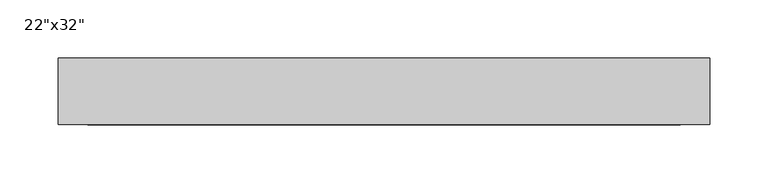
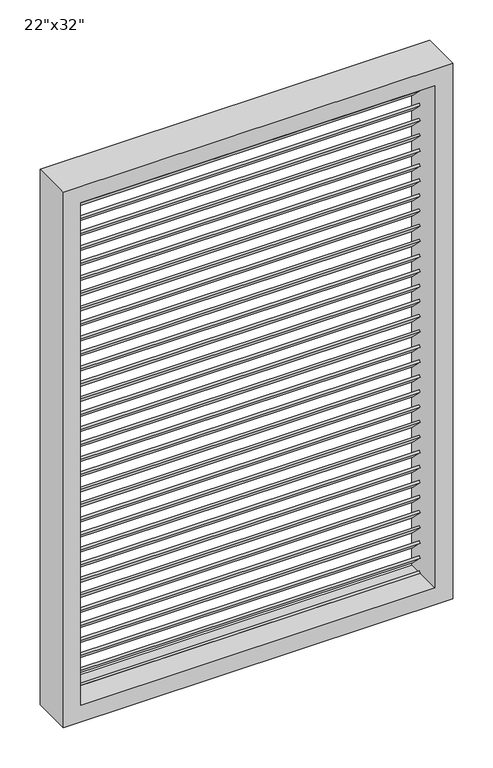
"""IFC4 building model written with IfcOpenShell, lengths in millimetres: proxy geometry."""

from ifc_helpers import new_model, si_unit, frame, origin, place, context, project, spatial, polyline, outline, extrude, source, transform, mapped, element, save


def proxy_5d6a0c1c(model_context):
    return source(origin(), model_context, "Body", "SweptSolid", [
        extrude(outline(polyline([(0.0, 25.4), (508.0, 25.4), (508.0, 0.0), (0.0, 0.0), (0.0, 25.4)])), frame((-254.0, 43.2944237, 1580.2414644), z_axis=(0.0, 0.7071067811865469, 0.7071067811865482), x_axis=(1.0, 0.0, 0.0)), (0.0, 0.0, 1.0), 3.175),
        extrude(outline(polyline([(0.0, 25.4000001), (508.0, 25.4000001), (508.0, 0.0), (0.0, 0.0), (0.0, 25.4000001)])), frame((-254.0, 43.2944237, 1557.3674807), z_axis=(0.0, 0.7071067811865469, 0.7071067811865482), x_axis=(1.0, 0.0, 0.0)), (0.0, 0.0, 1.0), 3.175),
        extrude(outline(polyline([(0.0, 25.4), (508.0, 25.4), (508.0, 0.0), (0.0, 0.0), (0.0, 25.4)])), frame((-254.0, 43.2944237, 1534.4934969), z_axis=(0.0, 0.7071067811865469, 0.7071067811865482), x_axis=(1.0, 0.0, 0.0)), (0.0, 0.0, 1.0), 3.175),
        extrude(outline(polyline([(0.0, 25.4), (508.0, 25.4), (508.0, 0.0), (0.0, 0.0), (0.0, 25.4)])), frame((-254.0, 43.2944237, 1511.6195131), z_axis=(0.0, 0.7071067811865469, 0.7071067811865482), x_axis=(1.0, 0.0, 0.0)), (0.0, 0.0, 1.0), 3.175),
        extrude(outline(polyline([(0.0, 25.4000001), (508.0, 25.4000001), (508.0, 0.0), (0.0, 0.0), (0.0, 25.4000001)])), frame((-254.0, 43.2944237, 1488.7455294), z_axis=(0.0, 0.7071067811865469, 0.7071067811865482), x_axis=(1.0, 0.0, 0.0)), (0.0, 0.0, 1.0), 3.175),
        extrude(outline(polyline([(0.0, 25.4000001), (508.0, 25.4000001), (508.0, 0.0), (0.0, 0.0), (0.0, 25.4000001)])), frame((-254.0, 43.2944237, 1465.8715456), z_axis=(0.0, 0.7071067811865469, 0.7071067811865482), x_axis=(1.0, 0.0, 0.0)), (0.0, 0.0, 1.0), 3.175),
        extrude(outline(polyline([(0.0, 25.4), (508.0, 25.4), (508.0, 0.0), (0.0, 0.0), (0.0, 25.4)])), frame((-254.0, 43.2944237, 1442.9975618), z_axis=(0.0, 0.7071067811865469, 0.7071067811865482), x_axis=(1.0, 0.0, 0.0)), (0.0, 0.0, 1.0), 3.175),
        extrude(outline(polyline([(0.0, 25.4), (508.0, 25.4), (508.0, 0.0), (0.0, 0.0), (0.0, 25.4)])), frame((-254.0, 43.2944237, 1420.123578), z_axis=(0.0, 0.7071067811865469, 0.7071067811865482), x_axis=(1.0, 0.0, 0.0)), (0.0, 0.0, 1.0), 3.175),
        extrude(outline(polyline([(0.0, 25.4000001), (508.0, 25.4000001), (508.0, 0.0), (0.0, 0.0), (0.0, 25.4000001)])), frame((-254.0, 43.2944237, 1397.2495943), z_axis=(0.0, 0.7071067811865469, 0.7071067811865482), x_axis=(1.0, 0.0, 0.0)), (0.0, 0.0, 1.0), 3.175),
        extrude(outline(polyline([(0.0, 25.4), (508.0, 25.4), (508.0, 0.0), (0.0, 0.0), (0.0, 25.4)])), frame((-254.0, 43.2944237, 1374.3756105), z_axis=(0.0, 0.7071067811865469, 0.7071067811865482), x_axis=(1.0, 0.0, 0.0)), (0.0, 0.0, 1.0), 3.175),
        extrude(outline(polyline([(0.0, 25.4), (508.0, 25.4), (508.0, 0.0), (0.0, 0.0), (0.0, 25.4)])), frame((-254.0, 43.2944237, 1351.5016267), z_axis=(0.0, 0.7071067811865469, 0.7071067811865482), x_axis=(1.0, 0.0, 0.0)), (0.0, 0.0, 1.0), 3.175),
        extrude(outline(polyline([(0.0, 25.4000001), (508.0, 25.4000001), (508.0, 0.0), (0.0, 0.0), (0.0, 25.4000001)])), frame((-254.0, 43.2944237, 1328.627643), z_axis=(0.0, 0.7071067811865469, 0.7071067811865482), x_axis=(1.0, 0.0, 0.0)), (0.0, 0.0, 1.0), 3.175),
        extrude(outline(polyline([(0.0, 25.4000001), (508.0, 25.4000001), (508.0, 0.0), (0.0, 0.0), (0.0, 25.4000001)])), frame((-254.0, 43.2944237, 1305.7536592), z_axis=(0.0, 0.7071067811865469, 0.7071067811865482), x_axis=(1.0, 0.0, 0.0)), (0.0, 0.0, 1.0), 3.175),
        extrude(outline(polyline([(0.0, 25.4), (508.0, 25.4), (508.0, 0.0), (0.0, 0.0), (0.0, 25.4)])), frame((-254.0, 43.2944237, 1282.8796754), z_axis=(0.0, 0.7071067811865469, 0.7071067811865482), x_axis=(1.0, 0.0, 0.0)), (0.0, 0.0, 1.0), 3.175),
        extrude(outline(polyline([(0.0, 25.4), (508.0, 25.4), (508.0, 0.0), (0.0, 0.0), (0.0, 25.4)])), frame((-254.0, 43.2944237, 1260.0056916), z_axis=(0.0, 0.7071067811865469, 0.7071067811865482), x_axis=(1.0, 0.0, 0.0)), (0.0, 0.0, 1.0), 3.175),
        extrude(outline(polyline([(0.0, 25.4000001), (508.0, 25.4000001), (508.0, 0.0), (0.0, 0.0), (0.0, 25.4000001)])), frame((-254.0, 43.2944237, 1237.1317079), z_axis=(0.0, 0.7071067811865469, 0.7071067811865482), x_axis=(1.0, 0.0, 0.0)), (0.0, 0.0, 1.0), 3.175),
        extrude(outline(polyline([(0.0, 25.4), (508.0, 25.4), (508.0, 0.0), (0.0, 0.0), (0.0, 25.4)])), frame((-254.0, 43.2944237, 1214.2577241), z_axis=(0.0, 0.7071067811865469, 0.7071067811865482), x_axis=(1.0, 0.0, 0.0)), (0.0, 0.0, 1.0), 3.175),
        extrude(outline(polyline([(0.0, 25.4), (508.0, 25.4), (508.0, 0.0), (0.0, 0.0), (0.0, 25.4)])), frame((-254.0, 43.2944237, 1191.3837403), z_axis=(0.0, 0.7071067811865469, 0.7071067811865482), x_axis=(1.0, 0.0, 0.0)), (0.0, 0.0, 1.0), 3.175),
        extrude(outline(polyline([(0.0, 25.4000001), (508.0, 25.4000001), (508.0, 0.0), (0.0, 0.0), (0.0, 25.4000001)])), frame((-254.0, 43.2944237, 1168.5097566), z_axis=(0.0, 0.7071067811865469, 0.7071067811865482), x_axis=(1.0, 0.0, 0.0)), (0.0, 0.0, 1.0), 3.175),
        extrude(outline(polyline([(0.0, 25.4), (508.0, 25.4), (508.0, 0.0), (0.0, 0.0), (0.0, 25.4)])), frame((-254.0, 43.2944237, 1145.6357728), z_axis=(0.0, 0.7071067811865469, 0.7071067811865482), x_axis=(1.0, 0.0, 0.0)), (0.0, 0.0, 1.0), 3.175),
        extrude(outline(polyline([(0.0, 25.4), (508.0, 25.4), (508.0, 0.0), (0.0, 0.0), (0.0, 25.4)])), frame((-254.0, 43.2944237, 1122.761789), z_axis=(0.0, 0.7071067811865469, 0.7071067811865482), x_axis=(1.0, 0.0, 0.0)), (0.0, 0.0, 1.0), 3.175),
        extrude(outline(polyline([(0.0, 25.4000001), (508.0, 25.4000001), (508.0, 0.0), (0.0, 0.0), (0.0, 25.4000001)])), frame((-254.0, 43.2944237, 1099.8878053), z_axis=(0.0, 0.7071067811865469, 0.7071067811865482), x_axis=(1.0, 0.0, 0.0)), (0.0, 0.0, 1.0), 3.175),
        extrude(outline(polyline([(0.0, 25.4000001), (508.0, 25.4000001), (508.0, 0.0), (0.0, 0.0), (0.0, 25.4000001)])), frame((-254.0, 43.2944237, 1077.0138215), z_axis=(0.0, 0.7071067811865469, 0.7071067811865482), x_axis=(1.0, 0.0, 0.0)), (0.0, 0.0, 1.0), 3.175),
        extrude(outline(polyline([(0.0, 25.4), (508.0, 25.4), (508.0, 0.0), (0.0, 0.0), (0.0, 25.4)])), frame((-254.0, 43.2944237, 1054.1398377), z_axis=(0.0, 0.7071067811865469, 0.7071067811865482), x_axis=(1.0, 0.0, 0.0)), (0.0, 0.0, 1.0), 3.175),
        extrude(outline(polyline([(0.0, 25.4), (508.0, 25.4), (508.0, 0.0), (0.0, 0.0), (0.0, 25.4)])), frame((-254.0, 43.2944237, 1031.2658539), z_axis=(0.0, 0.7071067811865469, 0.7071067811865482), x_axis=(1.0, 0.0, 0.0)), (0.0, 0.0, 1.0), 3.175),
        extrude(outline(polyline([(0.0, 25.4000001), (508.0, 25.4000001), (508.0, 0.0), (0.0, 0.0), (0.0, 25.4000001)])), frame((-254.0, 43.2944237, 1008.3918702), z_axis=(0.0, 0.7071067811865469, 0.7071067811865482), x_axis=(1.0, 0.0, 0.0)), (0.0, 0.0, 1.0), 3.175),
        extrude(outline(polyline([(0.0, 25.4), (508.0, 25.4), (508.0, 0.0), (0.0, 0.0), (0.0, 25.4)])), frame((-254.0, 43.2944237, 985.5178864), z_axis=(0.0, 0.7071067811865469, 0.7071067811865482), x_axis=(1.0, 0.0, 0.0)), (0.0, 0.0, 1.0), 3.175),
        extrude(outline(polyline([(0.0, 25.4), (508.0, 25.4), (508.0, 0.0), (0.0, 0.0), (0.0, 25.4)])), frame((-254.0, 43.2944237, 962.6439026), z_axis=(0.0, 0.7071067811865469, 0.7071067811865482), x_axis=(1.0, 0.0, 0.0)), (0.0, 0.0, 1.0), 3.175),
        extrude(outline(polyline([(0.0, 25.4000001), (508.0, 25.4000001), (508.0, 0.0), (0.0, 0.0), (0.0, 25.4000001)])), frame((-254.0, 43.2944237, 939.7699189), z_axis=(0.0, 0.7071067811865469, 0.7071067811865482), x_axis=(1.0, 0.0, 0.0)), (0.0, 0.0, 1.0), 3.175),
        extrude(outline(polyline([(0.0, 25.4000001), (508.0, 25.4000001), (508.0, 0.0), (0.0, 0.0), (0.0, 25.4000001)])), frame((-254.0, 43.2944237, 916.8959351), z_axis=(0.0, 0.7071067811865469, 0.7071067811865482), x_axis=(1.0, 0.0, 0.0)), (0.0, 0.0, 1.0), 3.175),
        extrude(outline(polyline([(0.0, 25.4), (508.0, 25.4), (508.0, 0.0), (0.0, 0.0), (0.0, 25.4)])), frame((-254.0, 43.2944237, 894.0219513), z_axis=(0.0, 0.7071067811865469, 0.7071067811865482), x_axis=(1.0, 0.0, 0.0)), (0.0, 0.0, 1.0), 3.175),
        extrude(outline(polyline([(0.0, 25.4), (508.0, 25.4), (508.0, 0.0), (0.0, 0.0), (0.0, 25.4)])), frame((-254.0, 43.2944237, 871.1479675), z_axis=(0.0, 0.7071067811865469, 0.7071067811865482), x_axis=(1.0, 0.0, 0.0)), (0.0, 0.0, 1.0), 3.175),
        extrude(outline(polyline([(0.0, 25.4000001), (508.0, 25.4000001), (508.0, 0.0), (0.0, 0.0), (0.0, 25.4000001)])), frame((-254.0, 43.2944237, 848.2739838), z_axis=(0.0, 0.7071067811865469, 0.7071067811865482), x_axis=(1.0, 0.0, 0.0)), (0.0, 0.0, 1.0), 3.175),
        extrude(outline(polyline([(0.0, 25.4), (508.0, 25.4), (508.0, 0.0), (0.0, 0.0), (0.0, 25.4)])), frame((-254.0, 43.2944237, 1603.1154482), z_axis=(0.0, 0.7071067811865469, 0.7071067811865482), x_axis=(1.0, 0.0, 0.0)), (0.0, 0.0, 1.0), 3.175),
        extrude(outline(polyline([(0.0, 25.4), (508.0, 25.4), (508.0, 0.0), (0.0, 0.0), (0.0, 25.4)])), frame((-254.0, 43.2944237, 825.4), z_axis=(0.0, 0.7071067811865469, 0.7071067811865482), x_axis=(1.0, 0.0, 0.0)), (0.0, 0.0, 1.0), 3.175),
        extrude(outline(polyline([(1612.8, -279.4), (800.0, -279.4), (800.0, 279.4), (1612.8, 279.4), (1612.8, -279.4)]), holes=[polyline([(1587.4, -254.0), (1587.4, 254.0), (825.4, 254.0), (825.4, -254.0), (1587.4, -254.0)])]), frame((0.0, 6.35, 0.0), z_axis=(0.0, 1.0, 0.0), x_axis=(0.0, 0.0, 1.0)), (0.0, 0.0, 1.0), 57.15),
    ])


if __name__ == "__main__":
    model = new_model("IFC4")
    model_context = context("Model", 3, world=origin())
    ifc_project = project(units=[si_unit("LENGTHUNIT", "METRE", prefix="MILLI")], contexts=[model_context])
    site = spatial("IfcSite", under=ifc_project)
    building = spatial("IfcBuilding", under=site)
    placement = place(None, origin())
    proxy_shape = proxy_5d6a0c1c(model_context)
    element("IfcBuildingElementProxy", 1, Name="22\"x32\"", ObjectType="22\"x32\"", at=placement, inside=building, context=model_context, shape_type="MappedRepresentation", body=[
        mapped(proxy_shape, transform((0.0, 0.0, 0.0), x_axis=(1.0, 0.0, 0.0), y_axis=(0.0, 1.0, 0.0), z_axis=(0.0, 0.0, 1.0))),
    ])
    save(model, "model.ifc")
